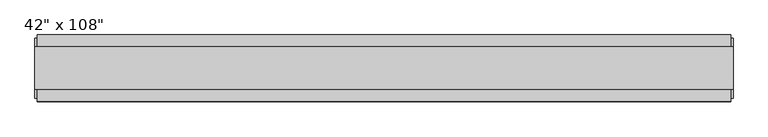
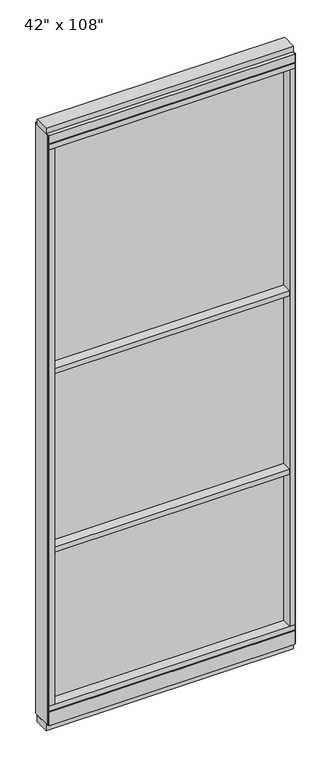
"""IFC4 building model written with IfcOpenShell, lengths in millimetres: furniture geometry."""

import ifcopenshell
import ifcopenshell.guid

model = None  # the IFC model being written
_history = None  # IfcOwnerHistory: only IFC2X3 demands one
_inside = {}  # id of a spatial element -> (the spatial element, [elements in it])
_under = {}  # id of a project, library or spatial element -> (it, [spatial elements below it])
_declared = {}  # id of a project -> (the project, [libraries it declares])
_typed = {}  # id of a type object -> (the type object, [elements of that type])
_made_of = {}  # id of a material, layer set ... -> (it, [elements and type objects made of it])


def new_model(schema):
    """Start an empty IFC model of exactly this schema.

    Asked for "IFC4X3", IfcOpenShell would pick the latest addendum, in which some entities
    have other attributes; the version numbers below select the first issue.
    IFC2X3 requires an IfcOwnerHistory on every rooted entity: one is made here for all.
    """
    global model, _history
    if schema == "IFC4X3":
        model = ifcopenshell.file(schema_version=(4, 3, 0, 0))
    else:
        model = ifcopenshell.file(schema=schema)
    _inside.clear()
    _under.clear()
    _declared.clear()
    _typed.clear()
    _made_of.clear()
    _history = None
    if model.schema == "IFC2X3":
        org = make("IfcOrganization", Name="unknown")
        user = make(
            "IfcPersonAndOrganization",
            ThePerson=make("IfcPerson", FamilyName="unknown"),
            TheOrganization=org,
        )
        app = make(
            "IfcApplication",
            ApplicationDeveloper=org,
            Version="unknown",
            ApplicationFullName="unknown",
            ApplicationIdentifier="unknown",
        )
        _history = make(
            "IfcOwnerHistory",
            OwningUser=user,
            OwningApplication=app,
            ChangeAction="ADDED",
            CreationDate=0,
        )
    return model


def make(cls, **values):
    """One entity of the class cls with the attributes given. An attribute that is None is left unset."""
    return model.create_entity(
        cls, **{name: value for name, value in values.items() if value is not None}
    )


def rooted(cls, **values):
    """An entity with a GlobalId (a new one), such as an element, a storey or a relation."""
    return make(cls, GlobalId=ifcopenshell.guid.new(), OwnerHistory=_history, **values)


def si_unit(unit_type, name, prefix=None):
    """IfcSIUnit, for example si_unit("LENGTHUNIT", "METRE", prefix="MILLI")."""
    return make("IfcSIUnit", UnitType=unit_type, Prefix=prefix, Name=name)


def assignment(units):
    """IfcUnitAssignment: the units of a project."""
    return None if units is None else make("IfcUnitAssignment", Units=units)


def point(xyz):
    """IfcCartesianPoint."""
    return None if xyz is None else make("IfcCartesianPoint", Coordinates=xyz)


def direction(xyz):
    """IfcDirection."""
    return None if xyz is None else make("IfcDirection", DirectionRatios=xyz)


def frame(location, z_axis=None, x_axis=None):
    """IfcAxis2Placement3D, a coordinate frame: its origin and axes. An axis left out is left unset."""
    return make(
        "IfcAxis2Placement3D",
        Location=point(location),
        Axis=direction(z_axis),
        RefDirection=direction(x_axis),
    )


def origin():
    """The frame at (0, 0, 0) with its axes left unset."""
    return frame((0.0, 0.0, 0.0))


def origin_with_axes():
    """The frame at (0, 0, 0) with the z axis (0, 0, 1) and the x axis (1, 0, 0) written out."""
    return frame((0.0, 0.0, 0.0), z_axis=(0.0, 0.0, 1.0), x_axis=(1.0, 0.0, 0.0))


def place(relative_to, where):
    """IfcLocalPlacement: puts the frame where relative to a parent placement (None: the world)."""
    return make(
        "IfcLocalPlacement", PlacementRelTo=relative_to, RelativePlacement=where
    )


def context(
    kind, dimensions, precision=None, world=None, true_north=None, identifier=None
):
    """IfcGeometricRepresentationContext, for example the 3D "Model" context."""
    return make(
        "IfcGeometricRepresentationContext",
        ContextIdentifier=identifier,
        ContextType=kind,
        CoordinateSpaceDimension=dimensions,
        Precision=precision,
        WorldCoordinateSystem=world,
        TrueNorth=true_north,
    )


def project(units=None, contexts=None):
    """IfcProject with its units and contexts."""
    return rooted(
        "IfcProject",
        Name="project",
        RepresentationContexts=contexts,
        UnitsInContext=assignment(units),
    )


def spatial(cls, under=None, at=None, **own):
    """A site, building, storey or space (cls), placed at a placement, below another one or the project."""
    s = rooted(cls, ObjectPlacement=at, **own)
    if under is not None:
        _under.setdefault(under.id(), (under, []))[1].append(s)
    return s


def polyline(points):
    """IfcPolyline through the points."""
    return make("IfcPolyline", Points=[point(p) for p in points])


def outline(outer, holes=None, kind="AREA"):
    """IfcArbitraryClosedProfileDef: a profile drawn as a closed curve; with holes, ...WithVoids."""
    if holes is None:
        return make("IfcArbitraryClosedProfileDef", ProfileType=kind, OuterCurve=outer)
    return make(
        "IfcArbitraryProfileDefWithVoids",
        ProfileType=kind,
        OuterCurve=outer,
        InnerCurves=holes,
    )


def extrude(swept, where, along, depth):
    """IfcExtrudedAreaSolid: the profile swept, set in the frame where, extruded along a direction by depth."""
    return make(
        "IfcExtrudedAreaSolid",
        SweptArea=swept,
        Position=where,
        ExtrudedDirection=direction(along),
        Depth=depth,
    )


def shape(context_of_items, identifier, shape_type, items):
    """IfcShapeRepresentation: the items that make up one representation, for example the "Body"."""
    return make(
        "IfcShapeRepresentation",
        ContextOfItems=context_of_items,
        RepresentationIdentifier=identifier,
        RepresentationType=shape_type,
        Items=items,
    )


def source(mapping_origin, context_of_items, identifier, shape_type, items):
    """IfcRepresentationMap: a shape defined once, which mapped items show again and again."""
    return make(
        "IfcRepresentationMap",
        MappingOrigin=mapping_origin,
        MappedRepresentation=shape(context_of_items, identifier, shape_type, items),
    )


def transform(
    local_origin,
    x_axis=None,
    y_axis=None,
    z_axis=None,
    scale=None,
    scale2=None,
    scale3=None,
    uniform=True,
):
    """IfcCartesianTransformationOperator3D, or its non-uniform kind. x_axis, y_axis, z_axis: its Axis1, 2, 3."""
    if uniform:
        return make(
            "IfcCartesianTransformationOperator3D",
            Axis1=direction(x_axis),
            Axis2=direction(y_axis),
            LocalOrigin=point(local_origin),
            Scale=scale,
            Axis3=direction(z_axis),
        )
    return make(
        "IfcCartesianTransformationOperator3DnonUniform",
        Axis1=direction(x_axis),
        Axis2=direction(y_axis),
        LocalOrigin=point(local_origin),
        Scale=scale,
        Axis3=direction(z_axis),
        Scale2=scale2,
        Scale3=scale3,
    )


def mapped(mapping_source, mapping_target):
    """IfcMappedItem: shows the shape of a source again, moved by a transform."""
    return make(
        "IfcMappedItem", MappingSource=mapping_source, MappingTarget=mapping_target
    )


def made_of(thing, what):
    """Note that an element or type object is made of a material, layer set ...; save() writes the relation."""
    if what is not None:
        _made_of.setdefault(what.id(), (what, []))[1].append(thing)
    return thing


def element(
    cls,
    number,
    at=None,
    inside=None,
    cuts=None,
    type_object=None,
    material=None,
    context=None,
    identifier="Body",
    shape_type=None,
    held_by="IfcProductDefinitionShape",
    body=None,
    shapes=None,
    **own,
):
    """One element of the class cls, such as IfcWall. Its Tag is "e" and its number.

    at: its placement. inside: the storey or other place that contains it. cuts: it is an
    opening in that element (IfcRelVoidsElement). A single representation is given by context,
    identifier, shape_type and body (its items); several are given by shapes. held_by: the class
    of the entity that holds the representations. save() writes the other relations.
    """
    e = rooted(cls, Tag="e%d" % number, ObjectPlacement=at, **own)
    if body is not None:
        shapes = [shape(context, identifier, shape_type, body)]
    if shapes is not None:
        e.Representation = make(held_by, Representations=shapes)
    if inside is not None:
        _inside.setdefault(inside.id(), (inside, []))[1].append(e)
    if cuts is not None:
        rooted(
            "IfcRelVoidsElement", RelatingBuildingElement=cuts, RelatedOpeningElement=e
        )
    if type_object is not None:
        _typed.setdefault(type_object.id(), (type_object, []))[1].append(e)
    return made_of(e, material)


def aggregate(whole, parts):
    """IfcRelAggregates: a whole, such as a stair, and the parts it consists of."""
    return rooted("IfcRelAggregates", RelatingObject=whole, RelatedObjects=parts)


def save(model, path):
    """Write the relations noted so far, then the file.

    IfcRelAggregates (storeys below a building ...), IfcRelContainedInSpatialStructure (elements
    in a storey), IfcRelDefinesByType, IfcRelAssociatesMaterial and IfcRelDeclares: one each for
    every whole, place, type object, material and project.
    """
    for whole, parts in _under.values():
        aggregate(whole, parts)
    for where, things in _inside.values():
        rooted(
            "IfcRelContainedInSpatialStructure",
            RelatedElements=things,
            RelatingStructure=where,
        )
    for kind, things in _typed.values():
        rooted("IfcRelDefinesByType", RelatedObjects=things, RelatingType=kind)
    for what, things in _made_of.values():
        rooted("IfcRelAssociatesMaterial", RelatedObjects=things, RelatingMaterial=what)
    for by, libraries in _declared.values():
        rooted("IfcRelDeclares", RelatingContext=by, RelatedDefinitions=libraries)
    model.write(path)


def furniture_69c4c304(model_context):
    return source(origin(), model_context, "Body", "SweptSolid", [
        extrude(outline(polyline([(-567.2745229, -52.3332216), (-567.2745229, 43.2977784), (447.2014771, 43.2977784), (447.2014771, -52.3332216), (-567.2745229, -52.3332216)])), frame((0.0, 0.0, 1625.6), z_axis=(0.0, 0.0, 1.0), x_axis=(1.0, 0.0, 0.0)), (0.0, 0.0, 1.0), 22.225),
        extrude(outline(polyline([(-567.2745229, -52.3332216), (-567.2745229, 43.2977784), (447.2014771, 43.2977784), (447.2014771, -52.3332216), (-567.2745229, -52.3332216)])), frame((0.0, 0.0, 812.8), z_axis=(0.0, 0.0, 1.0), x_axis=(1.0, 0.0, 0.0)), (0.0, 0.0, 1.0), 22.225),
        extrude(outline(polyline([(447.2014771, -9.5977216), (-567.2745229, -9.5977216), (-567.2745229, 0.5622784), (447.2014771, 0.5622784), (447.2014771, -9.5977216)])), frame((0.0, 0.0, 120.523), z_axis=(0.0, 0.0, 1.0), x_axis=(1.0, 0.0, 0.0)), (0.0, 0.0, 1.0), 2533.777),
        extrude(outline(polyline([(-55.3177216, 93.345), (-50.3647216, 93.345), (-50.3647216, 98.298), (41.3292784, 98.298), (41.3292784, 93.345), (46.2822784, 93.345), (46.2822784, 31.75), (-55.3177216, 31.75), (-55.3177216, 93.345)])), frame((-589.4995229, 0.0, 0.0), z_axis=(1.0, 0.0, 0.0), x_axis=(0.0, 1.0, 0.0)), (0.0, 0.0, 1.0), 1058.926),
        extrude(outline(polyline([(-589.4995229, -55.3177216), (-589.4995229, 46.2822784), (469.4264771, 46.2822784), (469.4264771, -55.3177216), (-589.4995229, -55.3177216)])), frame((0.0, 0.0, 98.298), z_axis=(0.0, 0.0, 1.0), x_axis=(1.0, 0.0, 0.0)), (0.0, 0.0, 1.0), 22.225),
        extrude(outline(polyline([(473.3634771, 27.9942784), (473.3634771, -37.0297216), (-593.4365229, -37.0297216), (-593.4365229, 27.9942784), (473.3634771, 27.9942784)])), origin_with_axes(), (0.0, 0.0, 1.0), 31.75),
        extrude(outline(polyline([(-593.4365229, -37.0297216), (-593.4365229, 27.9942784), (473.3634771, 27.9942784), (473.3634771, -37.0297216), (-593.4365229, -37.0297216)])), frame((0.0, 0.0, 2717.8), z_axis=(0.0, 0.0, 1.0), x_axis=(1.0, 0.0, 0.0)), (0.0, 0.0, 1.0), 25.4),
        extrude(outline(polyline([(-55.3177216, 2681.478), (-55.3177216, 2717.8), (46.2822784, 2717.8), (46.2822784, 2681.478), (41.3292784, 2681.478), (41.3292784, 2676.525), (-50.3647216, 2676.525), (-50.3647216, 2681.478), (-55.3177216, 2681.478)])), frame((-589.4995229, 0.0, 0.0), z_axis=(1.0, 0.0, 0.0), x_axis=(0.0, 1.0, 0.0)), (0.0, 0.0, 1.0), 1058.926),
        extrude(outline(polyline([(469.4264771, 46.2822784), (469.4264771, -55.3177216), (-589.4995229, -55.3177216), (-589.4995229, 46.2822784), (469.4264771, 46.2822784)])), frame((0.0, 0.0, 2654.3), z_axis=(0.0, 0.0, 1.0), x_axis=(1.0, 0.0, 0.0)), (0.0, 0.0, 1.0), 22.225),
        extrude(outline(polyline([(447.2014771, -55.3177216), (447.2014771, 46.2822784), (469.4264771, 46.2822784), (469.4264771, -55.3177216), (447.2014771, -55.3177216)])), frame((0.0, 0.0, 120.523), z_axis=(0.0, 0.0, 1.0), x_axis=(1.0, 0.0, 0.0)), (0.0, 0.0, 1.0), 2533.777),
        extrude(outline(polyline([(-567.2745229, -55.3177216), (-589.4995229, -55.3177216), (-589.4995229, 46.2822784), (-567.2745229, 46.2822784), (-567.2745229, -55.3177216)])), frame((0.0, 0.0, 120.523), z_axis=(0.0, 0.0, 1.0), x_axis=(1.0, 0.0, 0.0)), (0.0, 0.0, 1.0), 2533.777),
        extrude(outline(polyline([(473.3634771, -50.3647216), (469.4264771, -50.3647216), (469.4264771, 41.3292784), (473.3634771, 41.3292784), (473.3634771, -50.3647216)])), frame((0.0, 0.0, 31.75), z_axis=(0.0, 0.0, 1.0), x_axis=(1.0, 0.0, 0.0)), (0.0, 0.0, 1.0), 2686.05),
        extrude(outline(polyline([(-593.4365229, -50.3647216), (-593.4365229, 41.3292784), (-589.4995229, 41.3292784), (-589.4995229, -50.3647216), (-593.4365229, -50.3647216)])), frame((0.0, 0.0, 31.75), z_axis=(0.0, 0.0, 1.0), x_axis=(1.0, 0.0, 0.0)), (0.0, 0.0, 1.0), 2686.05),
    ])


if __name__ == "__main__":
    model = new_model("IFC4")
    model_context = context("Model", 3, world=origin())
    ifc_project = project(units=[si_unit("LENGTHUNIT", "METRE", prefix="MILLI")], contexts=[model_context])
    site = spatial("IfcSite", under=ifc_project)
    building = spatial("IfcBuilding", under=site)
    placement = place(None, origin())
    furniture_shape = furniture_69c4c304(model_context)
    element("IfcFurniture", 1, ObjectType="42\" x 108\"", at=placement, inside=building, context=model_context, shape_type="MappedRepresentation", body=[
        mapped(furniture_shape, transform((0.0, 0.0, 0.0), x_axis=(1.0, 0.0, 0.0), y_axis=(0.0, 1.0, 0.0), z_axis=(0.0, 0.0, 1.0))),
    ])
    save(model, "model.ifc")
